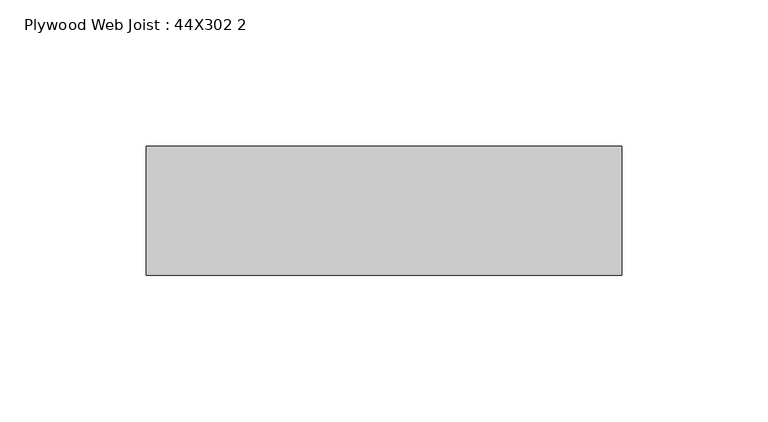
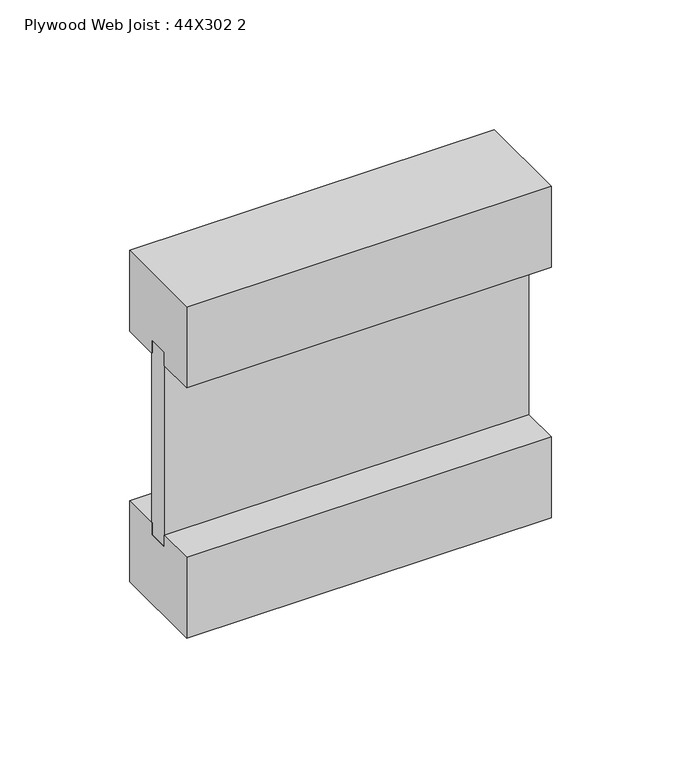
"""IFC4 building model written with IfcOpenShell, lengths in millimetres: beam geometry, Plywood Web Joist : 44X302 2."""

import ifcopenshell
import ifcopenshell.guid

model = None  # the IFC model being written
_history = None  # IfcOwnerHistory: only IFC2X3 demands one
_inside = {}  # id of a spatial element -> (the spatial element, [elements in it])
_under = {}  # id of a project, library or spatial element -> (it, [spatial elements below it])
_declared = {}  # id of a project -> (the project, [libraries it declares])
_typed = {}  # id of a type object -> (the type object, [elements of that type])
_made_of = {}  # id of a material, layer set ... -> (it, [elements and type objects made of it])


def new_model(schema):
    """Start an empty IFC model of exactly this schema.

    Asked for "IFC4X3", IfcOpenShell would pick the latest addendum, in which some entities
    have other attributes; the version numbers below select the first issue.
    IFC2X3 requires an IfcOwnerHistory on every rooted entity: one is made here for all.
    """
    global model, _history
    if schema == "IFC4X3":
        model = ifcopenshell.file(schema_version=(4, 3, 0, 0))
    else:
        model = ifcopenshell.file(schema=schema)
    _inside.clear()
    _under.clear()
    _declared.clear()
    _typed.clear()
    _made_of.clear()
    _history = None
    if model.schema == "IFC2X3":
        org = make("IfcOrganization", Name="unknown")
        user = make(
            "IfcPersonAndOrganization",
            ThePerson=make("IfcPerson", FamilyName="unknown"),
            TheOrganization=org,
        )
        app = make(
            "IfcApplication",
            ApplicationDeveloper=org,
            Version="unknown",
            ApplicationFullName="unknown",
            ApplicationIdentifier="unknown",
        )
        _history = make(
            "IfcOwnerHistory",
            OwningUser=user,
            OwningApplication=app,
            ChangeAction="ADDED",
            CreationDate=0,
        )
    return model


def make(cls, **values):
    """One entity of the class cls with the attributes given. An attribute that is None is left unset."""
    return model.create_entity(
        cls, **{name: value for name, value in values.items() if value is not None}
    )


def rooted(cls, **values):
    """An entity with a GlobalId (a new one), such as an element, a storey or a relation."""
    return make(cls, GlobalId=ifcopenshell.guid.new(), OwnerHistory=_history, **values)


def si_unit(unit_type, name, prefix=None):
    """IfcSIUnit, for example si_unit("LENGTHUNIT", "METRE", prefix="MILLI")."""
    return make("IfcSIUnit", UnitType=unit_type, Prefix=prefix, Name=name)


def assignment(units):
    """IfcUnitAssignment: the units of a project."""
    return None if units is None else make("IfcUnitAssignment", Units=units)


def point(xyz):
    """IfcCartesianPoint."""
    return None if xyz is None else make("IfcCartesianPoint", Coordinates=xyz)


def direction(xyz):
    """IfcDirection."""
    return None if xyz is None else make("IfcDirection", DirectionRatios=xyz)


def frame(location, z_axis=None, x_axis=None):
    """IfcAxis2Placement3D, a coordinate frame: its origin and axes. An axis left out is left unset."""
    return make(
        "IfcAxis2Placement3D",
        Location=point(location),
        Axis=direction(z_axis),
        RefDirection=direction(x_axis),
    )


def origin():
    """The frame at (0, 0, 0) with its axes left unset."""
    return frame((0.0, 0.0, 0.0))


def place(relative_to, where):
    """IfcLocalPlacement: puts the frame where relative to a parent placement (None: the world)."""
    return make(
        "IfcLocalPlacement", PlacementRelTo=relative_to, RelativePlacement=where
    )


def context(
    kind, dimensions, precision=None, world=None, true_north=None, identifier=None
):
    """IfcGeometricRepresentationContext, for example the 3D "Model" context."""
    return make(
        "IfcGeometricRepresentationContext",
        ContextIdentifier=identifier,
        ContextType=kind,
        CoordinateSpaceDimension=dimensions,
        Precision=precision,
        WorldCoordinateSystem=world,
        TrueNorth=true_north,
    )


def project(units=None, contexts=None):
    """IfcProject with its units and contexts."""
    return rooted(
        "IfcProject",
        Name="project",
        RepresentationContexts=contexts,
        UnitsInContext=assignment(units),
    )


def spatial(cls, under=None, at=None, **own):
    """A site, building, storey or space (cls), placed at a placement, below another one or the project."""
    s = rooted(cls, ObjectPlacement=at, **own)
    if under is not None:
        _under.setdefault(under.id(), (under, []))[1].append(s)
    return s


def polyline(points):
    """IfcPolyline through the points."""
    return make("IfcPolyline", Points=[point(p) for p in points])


def outline(outer, holes=None, kind="AREA"):
    """IfcArbitraryClosedProfileDef: a profile drawn as a closed curve; with holes, ...WithVoids."""
    if holes is None:
        return make("IfcArbitraryClosedProfileDef", ProfileType=kind, OuterCurve=outer)
    return make(
        "IfcArbitraryProfileDefWithVoids",
        ProfileType=kind,
        OuterCurve=outer,
        InnerCurves=holes,
    )


def extrude(swept, where, along, depth):
    """IfcExtrudedAreaSolid: the profile swept, set in the frame where, extruded along a direction by depth."""
    return make(
        "IfcExtrudedAreaSolid",
        SweptArea=swept,
        Position=where,
        ExtrudedDirection=direction(along),
        Depth=depth,
    )


def shape(context_of_items, identifier, shape_type, items):
    """IfcShapeRepresentation: the items that make up one representation, for example the "Body"."""
    return make(
        "IfcShapeRepresentation",
        ContextOfItems=context_of_items,
        RepresentationIdentifier=identifier,
        RepresentationType=shape_type,
        Items=items,
    )


def source(mapping_origin, context_of_items, identifier, shape_type, items):
    """IfcRepresentationMap: a shape defined once, which mapped items show again and again."""
    return make(
        "IfcRepresentationMap",
        MappingOrigin=mapping_origin,
        MappedRepresentation=shape(context_of_items, identifier, shape_type, items),
    )


def transform(
    local_origin,
    x_axis=None,
    y_axis=None,
    z_axis=None,
    scale=None,
    scale2=None,
    scale3=None,
    uniform=True,
):
    """IfcCartesianTransformationOperator3D, or its non-uniform kind. x_axis, y_axis, z_axis: its Axis1, 2, 3."""
    if uniform:
        return make(
            "IfcCartesianTransformationOperator3D",
            Axis1=direction(x_axis),
            Axis2=direction(y_axis),
            LocalOrigin=point(local_origin),
            Scale=scale,
            Axis3=direction(z_axis),
        )
    return make(
        "IfcCartesianTransformationOperator3DnonUniform",
        Axis1=direction(x_axis),
        Axis2=direction(y_axis),
        LocalOrigin=point(local_origin),
        Scale=scale,
        Axis3=direction(z_axis),
        Scale2=scale2,
        Scale3=scale3,
    )


def mapped(mapping_source, mapping_target):
    """IfcMappedItem: shows the shape of a source again, moved by a transform."""
    return make(
        "IfcMappedItem", MappingSource=mapping_source, MappingTarget=mapping_target
    )


def made_of(thing, what):
    """Note that an element or type object is made of a material, layer set ...; save() writes the relation."""
    if what is not None:
        _made_of.setdefault(what.id(), (what, []))[1].append(thing)
    return thing


def element(
    cls,
    number,
    at=None,
    inside=None,
    cuts=None,
    type_object=None,
    material=None,
    context=None,
    identifier="Body",
    shape_type=None,
    held_by="IfcProductDefinitionShape",
    body=None,
    shapes=None,
    **own,
):
    """One element of the class cls, such as IfcWall. Its Tag is "e" and its number.

    at: its placement. inside: the storey or other place that contains it. cuts: it is an
    opening in that element (IfcRelVoidsElement). A single representation is given by context,
    identifier, shape_type and body (its items); several are given by shapes. held_by: the class
    of the entity that holds the representations. save() writes the other relations.
    """
    e = rooted(cls, Tag="e%d" % number, ObjectPlacement=at, **own)
    if body is not None:
        shapes = [shape(context, identifier, shape_type, body)]
    if shapes is not None:
        e.Representation = make(held_by, Representations=shapes)
    if inside is not None:
        _inside.setdefault(inside.id(), (inside, []))[1].append(e)
    if cuts is not None:
        rooted(
            "IfcRelVoidsElement", RelatingBuildingElement=cuts, RelatedOpeningElement=e
        )
    if type_object is not None:
        _typed.setdefault(type_object.id(), (type_object, []))[1].append(e)
    return made_of(e, material)


def aggregate(whole, parts):
    """IfcRelAggregates: a whole, such as a stair, and the parts it consists of."""
    return rooted("IfcRelAggregates", RelatingObject=whole, RelatedObjects=parts)


def save(model, path):
    """Write the relations noted so far, then the file.

    IfcRelAggregates (storeys below a building ...), IfcRelContainedInSpatialStructure (elements
    in a storey), IfcRelDefinesByType, IfcRelAssociatesMaterial and IfcRelDeclares: one each for
    every whole, place, type object, material and project.
    """
    for whole, parts in _under.values():
        aggregate(whole, parts)
    for where, things in _inside.values():
        rooted(
            "IfcRelContainedInSpatialStructure",
            RelatedElements=things,
            RelatingStructure=where,
        )
    for kind, things in _typed.values():
        rooted("IfcRelDefinesByType", RelatedObjects=things, RelatingType=kind)
    for what, things in _made_of.values():
        rooted("IfcRelAssociatesMaterial", RelatedObjects=things, RelatingMaterial=what)
    for by, libraries in _declared.values():
        rooted("IfcRelDeclares", RelatingContext=by, RelatedDefinitions=libraries)
    model.write(path)


def plywood_web_joist_44x302_2_beac9a4b(model_context):
    return source(origin(), model_context, "Body", "SweptSolid", [
        extrude(outline(polyline([(-22.0, 78.0), (22.0, 78.0), (22.0, 39.9), (4.7625, 39.9), (4.7625, 46.25), (-4.7625, 46.25), (-4.7625, 39.9), (-22.0, 39.9), (-22.0, 78.0)])), frame((-137.35, 0.0, 0.0), z_axis=(1.0, 0.0, 0.0), x_axis=(0.0, 1.0, 0.0)), (0.0, 0.0, 1.0), 162.35),
        extrude(outline(polyline([(22.0, -39.9), (22.0, -78.0), (-22.0, -78.0), (-22.0, -39.9), (-4.7625, -39.9), (-4.7625, -45.5160374), (4.7625, -45.5160374), (4.7625, -39.9), (22.0, -39.9)])), frame((-137.35, 0.0, 0.0), z_axis=(1.0, 0.0, 0.0), x_axis=(0.0, 1.0, 0.0)), (0.0, 0.0, 1.0), 162.35),
        extrude(outline(polyline([(25.0, 4.7625), (25.0, -4.7625), (-137.35, -4.7625), (-137.35, 4.7625), (25.0, 4.7625)])), frame((0.0, 0.0, -45.5160374), z_axis=(0.0, 0.0, 1.0), x_axis=(1.0, 0.0, 0.0)), (0.0, 0.0, 1.0), 91.7660374),
    ])


if __name__ == "__main__":
    model = new_model("IFC4")
    model_context = context("Model", 3, world=origin())
    ifc_project = project(units=[si_unit("LENGTHUNIT", "METRE", prefix="MILLI")], contexts=[model_context])
    site = spatial("IfcSite", under=ifc_project)
    building = spatial("IfcBuilding", under=site)
    placement = place(None, origin())
    plywood_web_joist_44x302_2_shape = plywood_web_joist_44x302_2_beac9a4b(model_context)
    element("IfcBeam", 1, ObjectType="Plywood Web Joist : 44X302 2", at=placement, inside=building, context=model_context, shape_type="MappedRepresentation", body=[
        mapped(plywood_web_joist_44x302_2_shape, transform((0.0, 0.0, 0.0), x_axis=(1.0, 0.0, 0.0), y_axis=(0.0, 1.0, 0.0), z_axis=(0.0, 0.0, 1.0))),
    ])
    save(model, "model.ifc")
